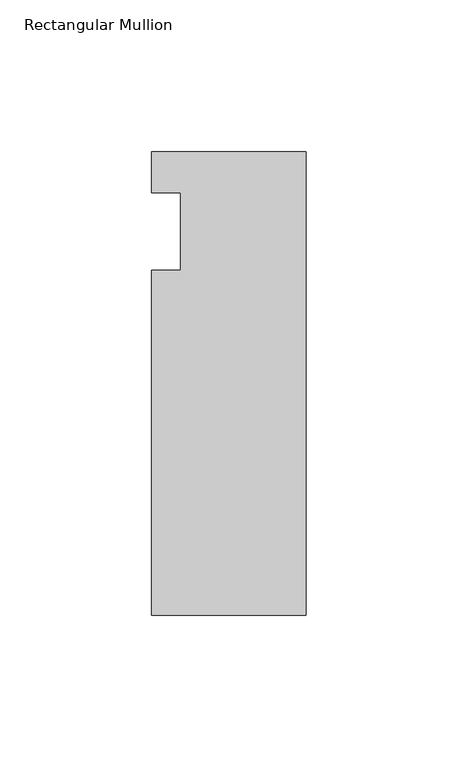
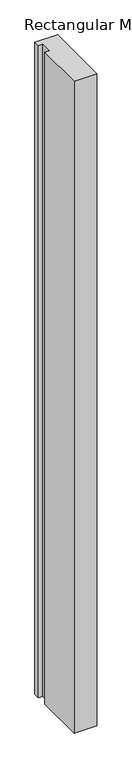
"""IFC4 building model written with IfcOpenShell, lengths in millimetres: member geometry, Rectangular Mullion."""

from ifc_helpers import new_model, si_unit, frame, origin, place, context, project, spatial, polyline, outline, extrude, source, transform, mapped, element, save


def rectangular_mullion_212c9445(model_context):
    return source(origin(), model_context, "Body", "SweptSolid", [
        extrude(outline(polyline([(0.0, 26.19375), (0.0, -126.20625), (-50.8, -126.20625), (-50.8, -12.7), (-41.275, -12.7), (-41.275, 12.7), (-50.8, 12.7), (-50.8, 26.19375), (0.0, 26.19375)])), frame((0.0, 0.0, -1549.4), z_axis=(0.0, 0.0, 1.0), x_axis=(1.0, 0.0, 0.0)), (0.0, 0.0, 1.0), 1549.4),
    ])


if __name__ == "__main__":
    model = new_model("IFC4")
    model_context = context("Model", 3, world=origin())
    ifc_project = project(units=[si_unit("LENGTHUNIT", "METRE", prefix="MILLI")], contexts=[model_context])
    site = spatial("IfcSite", under=ifc_project)
    building = spatial("IfcBuilding", under=site)
    placement = place(None, origin())
    rectangular_mullion_shape = rectangular_mullion_212c9445(model_context)
    element("IfcMember", 1, ObjectType="Rectangular Mullion", at=placement, inside=building, context=model_context, shape_type="MappedRepresentation", body=[
        mapped(rectangular_mullion_shape, transform((0.0, 0.0, 0.0), x_axis=(1.0, 0.0, 0.0), y_axis=(0.0, 1.0, 0.0), z_axis=(0.0, 0.0, 1.0))),
    ])
    save(model, "model.ifc")
